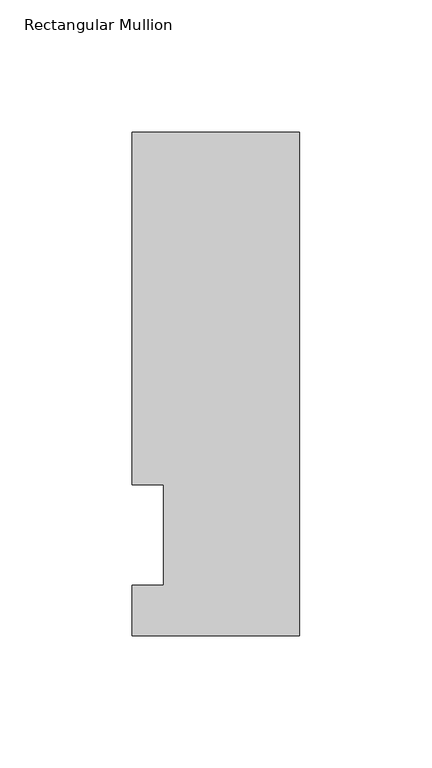
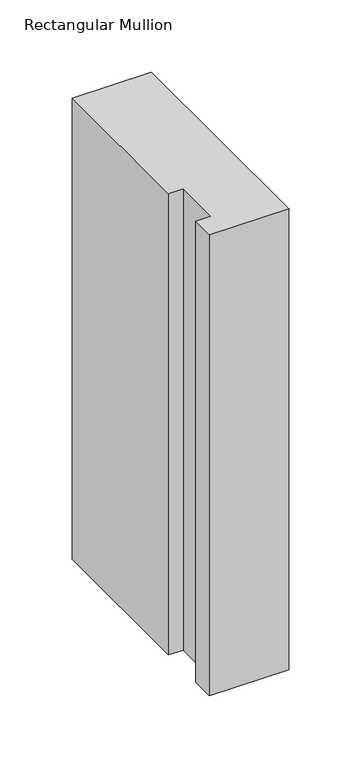
"""IFC4 building model written with IfcOpenShell, lengths in millimetres: member geometry, Rectangular Mullion."""

from ifc_helpers import new_model, si_unit, frame, origin, place, context, project, spatial, polyline, outline, extrude, source, transform, mapped, element, save


def rectangular_mullion_82f86bd8(model_context):
    return source(origin(), model_context, "Body", "SweptSolid", [
        extrude(outline(polyline([(-63.5, 152.4), (0.0, 152.4), (0.0, -38.1), (-63.5, -38.1), (-63.5, -19.0504842), (-51.5874, -19.0504842), (-51.5874, 19.0495158), (-63.5, 19.0495158), (-63.5, 152.4)])), frame((0.0, 0.0, -390.4901236), z_axis=(0.0, 0.0, 1.0), x_axis=(1.0, 0.0, 0.0)), (0.0, 0.0, 1.0), 390.4901236),
    ])


if __name__ == "__main__":
    model = new_model("IFC4")
    model_context = context("Model", 3, world=origin())
    ifc_project = project(units=[si_unit("LENGTHUNIT", "METRE", prefix="MILLI")], contexts=[model_context])
    site = spatial("IfcSite", under=ifc_project)
    building = spatial("IfcBuilding", under=site)
    placement = place(None, origin())
    rectangular_mullion_shape = rectangular_mullion_82f86bd8(model_context)
    element("IfcMember", 1, ObjectType="Rectangular Mullion", at=placement, inside=building, context=model_context, shape_type="MappedRepresentation", body=[
        mapped(rectangular_mullion_shape, transform((0.0, 0.0, 0.0), x_axis=(1.0, 0.0, 0.0), y_axis=(0.0, 1.0, 0.0), z_axis=(0.0, 0.0, 1.0))),
    ])
    save(model, "model.ifc")
